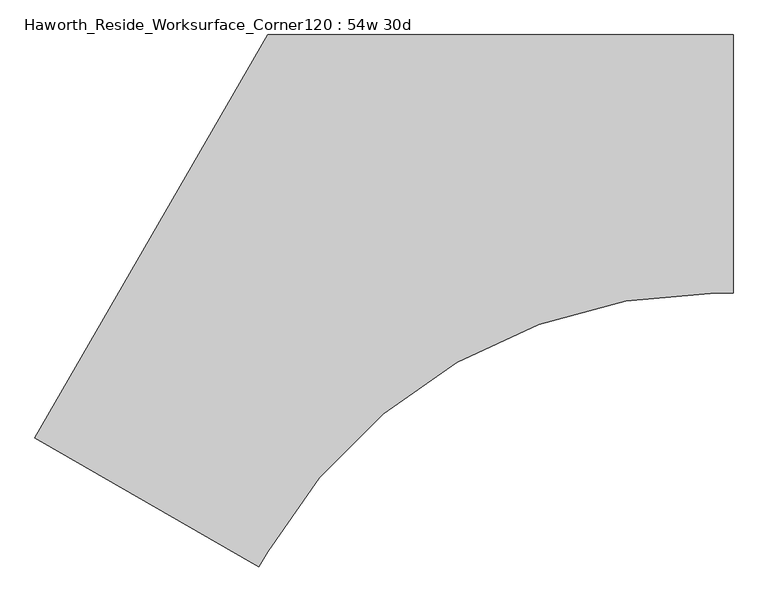
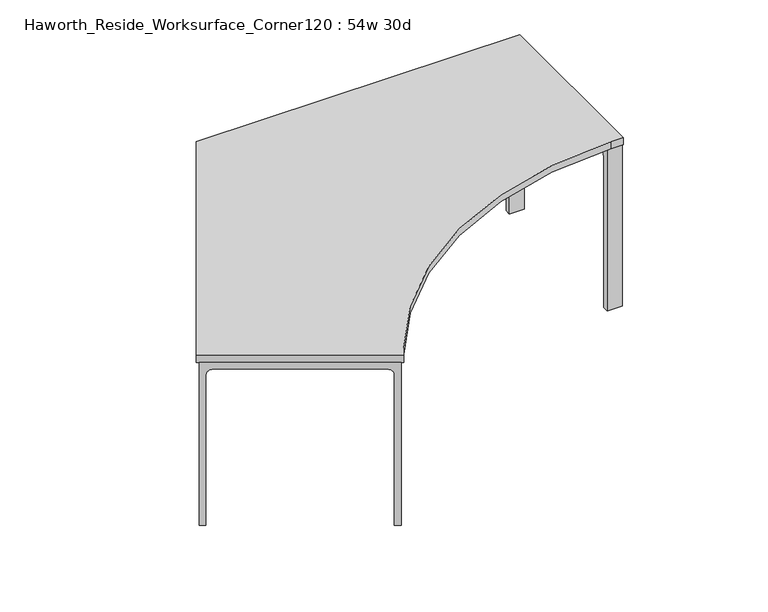
"""IFC4 building model written with IfcOpenShell, lengths in millimetres: furniture geometry, Haworth_Reside_Worksurface_Corner120 : 54w 30d."""

from ifc_helpers import new_model, si_unit, point, frame, frame_2d, origin, place, context, project, spatial, polyline, circle_curve, trimmed, segment, composite_curve, outline, extrude, source, transform, mapped, element, save


def haworth_reside_worksurface_corner120_54w_30d_0e54bfd2(model_context):
    return source(origin(), model_context, "Body", "SweptSolid", [
        extrude(outline(composite_curve([segment(polyline([(0.0, 0.0), (146.0500001, 0.0), (146.0500001, -731.8375), (120.65, -731.8375), (120.65, -55.5625)]), True, "CONTINUOUS"), segment(trimmed(circle_curve(frame_2d((95.25, -55.5625)), 25.4), [point((120.65, -55.5625))], [point((95.25, -30.1625))], True, "CARTESIAN"), True, "CONTINUOUS"), segment(polyline([(95.25, -30.1625), (0.0, -30.1625), (0.0, 0.0)]), True, "CONTINUOUS")], self_intersect=False)), frame((-684.7213066, 107.4493766, 731.8375), z_axis=(0.866025403784444, 0.49999999999999084, 0.0), x_axis=(-0.49999999999999084, 0.866025403784444, 0.0)), (0.0, 0.0, 1.0), 63.5),
        extrude(outline(composite_curve([segment(polyline([(0.0, 0.0), (527.05, 0.0), (527.05, -731.8375), (501.65, -731.8375), (501.65, -55.5625)]), True, "CONTINUOUS"), segment(trimmed(circle_curve(frame_2d((476.25, -55.5625)), 25.4), [point((501.65, -55.5625))], [point((476.25, -30.1625))], True, "CARTESIAN"), True, "CONTINUOUS"), segment(polyline([(476.25, -30.1625), (0.0, -30.1625), (0.0, 0.0)]), True, "CONTINUOUS")], self_intersect=False)), frame((-494.2213066, -222.5063022, 731.8375), z_axis=(0.866025403784444, 0.49999999999999084, 0.0), x_axis=(-0.49999999999999084, 0.866025403784444, 0.0)), (0.0, 0.0, 1.0), 63.5),
        extrude(outline(composite_curve([segment(trimmed(circle_curve(frame_2d((244.475, 676.275)), 25.4), [point((269.875, 676.275))], [point((244.475, 701.675))], True, "CARTESIAN"), True, "CONTINUOUS"), segment(polyline([(244.475, 701.675), (-396.875, 701.675)]), True, "CONTINUOUS"), segment(trimmed(circle_curve(frame_2d((-396.875, 676.275)), 25.4), [point((-396.875, 701.675))], [point((-422.275, 676.275))], True, "CARTESIAN"), True, "CONTINUOUS"), segment(polyline([(-422.275, 676.275), (-422.275, 0.0), (-447.675, 0.0), (-447.675, 731.8375), (295.275, 731.8375), (295.275, 0.0), (269.875, 0.0), (269.875, 676.275)]), True, "CONTINUOUS")], self_intersect=False)), frame((546.1, 0.0, 0.0), z_axis=(1.0, 0.0, 0.0), x_axis=(0.0, 1.0, 0.0)), (0.0, 0.0, 1.0), 63.5),
        extrude(outline(composite_curve([segment(trimmed(circle_curve(frame_2d((676.275, 25.4)), 25.4), [point((676.275, 0.0))], [point((701.675, 25.4))], True, "CARTESIAN"), True, "CONTINUOUS"), segment(polyline([(701.675, 25.4), (701.675, 666.75)]), True, "CONTINUOUS"), segment(trimmed(circle_curve(frame_2d((676.275, 666.75)), 25.4), [point((701.675, 666.75))], [point((676.275, 692.1500001))], True, "CARTESIAN"), True, "CONTINUOUS"), segment(polyline([(676.275, 692.1500001), (0.0, 692.1500001), (0.0, 717.55), (731.8375, 717.55), (731.8375, -25.4), (0.0, -25.4), (0.0, 0.0), (676.275, 0.0)]), True, "CONTINUOUS")], self_intersect=False)), frame((-1417.5540628, -900.5029438, 0.0), z_axis=(0.4999999999999951, 0.8660254037844415, 0.0), x_axis=(0.0, 0.0, 1.0)), (0.0, 0.0, 1.0), 63.5),
        extrude(outline(composite_curve([segment(polyline([(-1447.8, -883.0404438), (-762.0, 304.8), (609.6, 304.8), (609.6, -457.2), (557.8227154, -457.2)]), True, "CONTINUOUS"), segment(trimmed(circle_curve(frame_2d((557.8227154, -1981.2)), 1524.0), [point((557.8227154, -457.2))], [point((-762.0, -1219.2))], True, "CARTESIAN"), True, "CONTINUOUS"), segment(polyline([(-762.0, -1219.2), (-787.8886423, -1264.0404438), (-1447.8, -883.0404438)]), True, "CONTINUOUS")], self_intersect=False)), frame((0.0, 0.0, 731.8375), z_axis=(0.0, 0.0, 1.0), x_axis=(1.0, 0.0, 0.0)), (0.0, 0.0, 1.0), 30.1625),
    ])


if __name__ == "__main__":
    model = new_model("IFC4")
    model_context = context("Model", 3, world=origin())
    ifc_project = project(units=[si_unit("LENGTHUNIT", "METRE", prefix="MILLI")], contexts=[model_context])
    site = spatial("IfcSite", under=ifc_project)
    building = spatial("IfcBuilding", under=site)
    placement = place(None, origin())
    haworth_reside_worksurface_corner120_54w_30d_shape = haworth_reside_worksurface_corner120_54w_30d_0e54bfd2(model_context)
    element("IfcFurniture", 1, ObjectType="Haworth_Reside_Worksurface_Corner120 : 54w 30d", at=placement, inside=building, context=model_context, shape_type="MappedRepresentation", body=[
        mapped(haworth_reside_worksurface_corner120_54w_30d_shape, transform((0.0, 0.0, 0.0), x_axis=(1.0, 0.0, 0.0), y_axis=(0.0, 1.0, 0.0), z_axis=(0.0, 0.0, 1.0))),
    ])
    save(model, "model.ifc")
